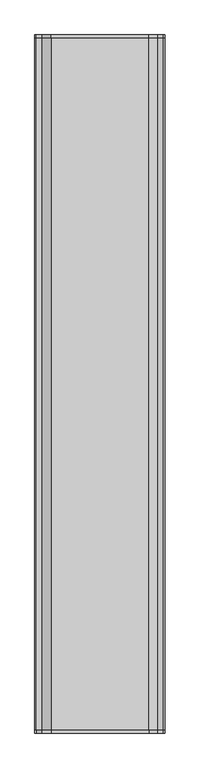
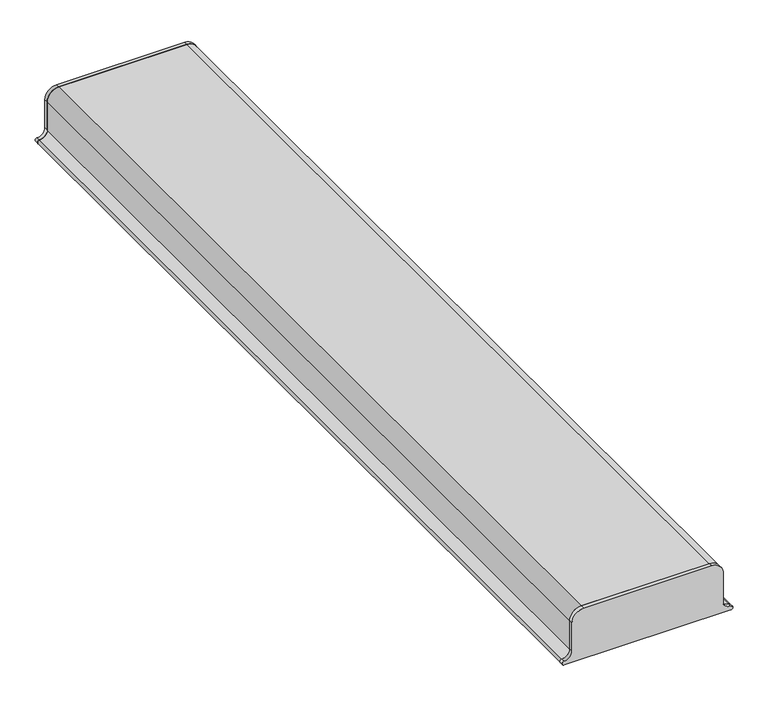
"""IFC4 building model written with IfcOpenShell, lengths in millimetres: proxy geometry."""

import ifcopenshell
import ifcopenshell.guid

model = None  # the IFC model being written
_history = None  # IfcOwnerHistory: only IFC2X3 demands one
_inside = {}  # id of a spatial element -> (the spatial element, [elements in it])
_under = {}  # id of a project, library or spatial element -> (it, [spatial elements below it])
_declared = {}  # id of a project -> (the project, [libraries it declares])
_typed = {}  # id of a type object -> (the type object, [elements of that type])
_made_of = {}  # id of a material, layer set ... -> (it, [elements and type objects made of it])


def new_model(schema):
    """Start an empty IFC model of exactly this schema.

    Asked for "IFC4X3", IfcOpenShell would pick the latest addendum, in which some entities
    have other attributes; the version numbers below select the first issue.
    IFC2X3 requires an IfcOwnerHistory on every rooted entity: one is made here for all.
    """
    global model, _history
    if schema == "IFC4X3":
        model = ifcopenshell.file(schema_version=(4, 3, 0, 0))
    else:
        model = ifcopenshell.file(schema=schema)
    _inside.clear()
    _under.clear()
    _declared.clear()
    _typed.clear()
    _made_of.clear()
    _history = None
    if model.schema == "IFC2X3":
        org = make("IfcOrganization", Name="unknown")
        user = make(
            "IfcPersonAndOrganization",
            ThePerson=make("IfcPerson", FamilyName="unknown"),
            TheOrganization=org,
        )
        app = make(
            "IfcApplication",
            ApplicationDeveloper=org,
            Version="unknown",
            ApplicationFullName="unknown",
            ApplicationIdentifier="unknown",
        )
        _history = make(
            "IfcOwnerHistory",
            OwningUser=user,
            OwningApplication=app,
            ChangeAction="ADDED",
            CreationDate=0,
        )
    return model


def make(cls, **values):
    """One entity of the class cls with the attributes given. An attribute that is None is left unset."""
    return model.create_entity(
        cls, **{name: value for name, value in values.items() if value is not None}
    )


def rooted(cls, **values):
    """An entity with a GlobalId (a new one), such as an element, a storey or a relation."""
    return make(cls, GlobalId=ifcopenshell.guid.new(), OwnerHistory=_history, **values)


def si_unit(unit_type, name, prefix=None):
    """IfcSIUnit, for example si_unit("LENGTHUNIT", "METRE", prefix="MILLI")."""
    return make("IfcSIUnit", UnitType=unit_type, Prefix=prefix, Name=name)


def assignment(units):
    """IfcUnitAssignment: the units of a project."""
    return None if units is None else make("IfcUnitAssignment", Units=units)


def point(xyz):
    """IfcCartesianPoint."""
    return None if xyz is None else make("IfcCartesianPoint", Coordinates=xyz)


def direction(xyz):
    """IfcDirection."""
    return None if xyz is None else make("IfcDirection", DirectionRatios=xyz)


def frame(location, z_axis=None, x_axis=None):
    """IfcAxis2Placement3D, a coordinate frame: its origin and axes. An axis left out is left unset."""
    return make(
        "IfcAxis2Placement3D",
        Location=point(location),
        Axis=direction(z_axis),
        RefDirection=direction(x_axis),
    )


def frame_2d(location, x_axis=None):
    """IfcAxis2Placement2D, a coordinate frame in the plane: its origin and x axis."""
    return make(
        "IfcAxis2Placement2D", Location=point(location), RefDirection=direction(x_axis)
    )


def origin():
    """The frame at (0, 0, 0) with its axes left unset."""
    return frame((0.0, 0.0, 0.0))


def place(relative_to, where):
    """IfcLocalPlacement: puts the frame where relative to a parent placement (None: the world)."""
    return make(
        "IfcLocalPlacement", PlacementRelTo=relative_to, RelativePlacement=where
    )


def context(
    kind, dimensions, precision=None, world=None, true_north=None, identifier=None
):
    """IfcGeometricRepresentationContext, for example the 3D "Model" context."""
    return make(
        "IfcGeometricRepresentationContext",
        ContextIdentifier=identifier,
        ContextType=kind,
        CoordinateSpaceDimension=dimensions,
        Precision=precision,
        WorldCoordinateSystem=world,
        TrueNorth=true_north,
    )


def project(units=None, contexts=None):
    """IfcProject with its units and contexts."""
    return rooted(
        "IfcProject",
        Name="project",
        RepresentationContexts=contexts,
        UnitsInContext=assignment(units),
    )


def spatial(cls, under=None, at=None, **own):
    """A site, building, storey or space (cls), placed at a placement, below another one or the project."""
    s = rooted(cls, ObjectPlacement=at, **own)
    if under is not None:
        _under.setdefault(under.id(), (under, []))[1].append(s)
    return s


def polyline(points):
    """IfcPolyline through the points."""
    return make("IfcPolyline", Points=[point(p) for p in points])


def circle_curve(where, radius):
    """IfcCircle in the frame where."""
    return make("IfcCircle", Position=where, Radius=radius)


def trimmed(basis, trim1, trim2, sense, master):
    """IfcTrimmedCurve: the piece of a basis curve between two trims."""
    return make(
        "IfcTrimmedCurve",
        BasisCurve=basis,
        Trim1=trim1,
        Trim2=trim2,
        SenseAgreement=sense,
        MasterRepresentation=master,
    )


def segment(curve, same_sense, transition):
    """IfcCompositeCurveSegment."""
    return make(
        "IfcCompositeCurveSegment",
        Transition=transition,
        SameSense=same_sense,
        ParentCurve=curve,
    )


def composite_curve(segments, self_intersect=None):
    """IfcCompositeCurve: segments joined end to end."""
    return make("IfcCompositeCurve", Segments=segments, SelfIntersect=self_intersect)


def outline(outer, holes=None, kind="AREA"):
    """IfcArbitraryClosedProfileDef: a profile drawn as a closed curve; with holes, ...WithVoids."""
    if holes is None:
        return make("IfcArbitraryClosedProfileDef", ProfileType=kind, OuterCurve=outer)
    return make(
        "IfcArbitraryProfileDefWithVoids",
        ProfileType=kind,
        OuterCurve=outer,
        InnerCurves=holes,
    )


def extrude(swept, where, along, depth):
    """IfcExtrudedAreaSolid: the profile swept, set in the frame where, extruded along a direction by depth."""
    return make(
        "IfcExtrudedAreaSolid",
        SweptArea=swept,
        Position=where,
        ExtrudedDirection=direction(along),
        Depth=depth,
    )


def shape(context_of_items, identifier, shape_type, items):
    """IfcShapeRepresentation: the items that make up one representation, for example the "Body"."""
    return make(
        "IfcShapeRepresentation",
        ContextOfItems=context_of_items,
        RepresentationIdentifier=identifier,
        RepresentationType=shape_type,
        Items=items,
    )


def source(mapping_origin, context_of_items, identifier, shape_type, items):
    """IfcRepresentationMap: a shape defined once, which mapped items show again and again."""
    return make(
        "IfcRepresentationMap",
        MappingOrigin=mapping_origin,
        MappedRepresentation=shape(context_of_items, identifier, shape_type, items),
    )


def transform(
    local_origin,
    x_axis=None,
    y_axis=None,
    z_axis=None,
    scale=None,
    scale2=None,
    scale3=None,
    uniform=True,
):
    """IfcCartesianTransformationOperator3D, or its non-uniform kind. x_axis, y_axis, z_axis: its Axis1, 2, 3."""
    if uniform:
        return make(
            "IfcCartesianTransformationOperator3D",
            Axis1=direction(x_axis),
            Axis2=direction(y_axis),
            LocalOrigin=point(local_origin),
            Scale=scale,
            Axis3=direction(z_axis),
        )
    return make(
        "IfcCartesianTransformationOperator3DnonUniform",
        Axis1=direction(x_axis),
        Axis2=direction(y_axis),
        LocalOrigin=point(local_origin),
        Scale=scale,
        Axis3=direction(z_axis),
        Scale2=scale2,
        Scale3=scale3,
    )


def mapped(mapping_source, mapping_target):
    """IfcMappedItem: shows the shape of a source again, moved by a transform."""
    return make(
        "IfcMappedItem", MappingSource=mapping_source, MappingTarget=mapping_target
    )


def made_of(thing, what):
    """Note that an element or type object is made of a material, layer set ...; save() writes the relation."""
    if what is not None:
        _made_of.setdefault(what.id(), (what, []))[1].append(thing)
    return thing


def element(
    cls,
    number,
    at=None,
    inside=None,
    cuts=None,
    type_object=None,
    material=None,
    context=None,
    identifier="Body",
    shape_type=None,
    held_by="IfcProductDefinitionShape",
    body=None,
    shapes=None,
    **own,
):
    """One element of the class cls, such as IfcWall. Its Tag is "e" and its number.

    at: its placement. inside: the storey or other place that contains it. cuts: it is an
    opening in that element (IfcRelVoidsElement). A single representation is given by context,
    identifier, shape_type and body (its items); several are given by shapes. held_by: the class
    of the entity that holds the representations. save() writes the other relations.
    """
    e = rooted(cls, Tag="e%d" % number, ObjectPlacement=at, **own)
    if body is not None:
        shapes = [shape(context, identifier, shape_type, body)]
    if shapes is not None:
        e.Representation = make(held_by, Representations=shapes)
    if inside is not None:
        _inside.setdefault(inside.id(), (inside, []))[1].append(e)
    if cuts is not None:
        rooted(
            "IfcRelVoidsElement", RelatingBuildingElement=cuts, RelatedOpeningElement=e
        )
    if type_object is not None:
        _typed.setdefault(type_object.id(), (type_object, []))[1].append(e)
    return made_of(e, material)


def aggregate(whole, parts):
    """IfcRelAggregates: a whole, such as a stair, and the parts it consists of."""
    return rooted("IfcRelAggregates", RelatingObject=whole, RelatedObjects=parts)


def save(model, path):
    """Write the relations noted so far, then the file.

    IfcRelAggregates (storeys below a building ...), IfcRelContainedInSpatialStructure (elements
    in a storey), IfcRelDefinesByType, IfcRelAssociatesMaterial and IfcRelDeclares: one each for
    every whole, place, type object, material and project.
    """
    for whole, parts in _under.values():
        aggregate(whole, parts)
    for where, things in _inside.values():
        rooted(
            "IfcRelContainedInSpatialStructure",
            RelatedElements=things,
            RelatingStructure=where,
        )
    for kind, things in _typed.values():
        rooted("IfcRelDefinesByType", RelatedObjects=things, RelatingType=kind)
    for what, things in _made_of.values():
        rooted("IfcRelAssociatesMaterial", RelatedObjects=things, RelatingMaterial=what)
    for by, libraries in _declared.values():
        rooted("IfcRelDeclares", RelatingContext=by, RelatedDefinitions=libraries)
    model.write(path)


def generic_models_564662c1(model_context):
    return source(origin(), model_context, "Body", "SweptSolid", [
        extrude(outline(composite_curve([segment(trimmed(circle_curve(frame_2d((431.1687819, 235.6397011)), 12.7), [point((418.4687819, 235.6397011))], [point((431.1687819, 222.9397011))], True, "CARTESIAN"), True, "CONTINUOUS"), segment(polyline([(431.1687819, 222.9397011), (482.3425919, 222.9397011)]), True, "CONTINUOUS"), segment(trimmed(circle_curve(frame_2d((480.3119736, 203.9982362)), 19.05), [point((482.3425919, 222.9397011))], [point((499.3619736, 203.9982362))], False, "CARTESIAN"), True, "CONTINUOUS"), segment(polyline([(499.3619736, 203.9982362), (499.3619736, -5.6602989)]), True, "CONTINUOUS"), segment(trimmed(circle_curve(frame_2d((480.3119736, -5.6602989)), 19.05), [point((499.3619736, -5.6602989))], [point((480.3119736, -24.7102989))], False, "CARTESIAN"), True, "CONTINUOUS"), segment(polyline([(480.3119736, -24.7102989), (431.1687819, -24.7102989)]), True, "CONTINUOUS"), segment(trimmed(circle_curve(frame_2d((431.1687819, -37.4102989)), 12.7), [point((431.1687819, -24.7102989))], [point((418.4687819, -37.4102989))], True, "CARTESIAN"), True, "CONTINUOUS"), segment(trimmed(circle_curve(frame_2d((415.2937819, -37.4102989)), 3.175), [point((418.4687819, -37.4102989))], [point((412.1187819, -37.4102989))], False, "CARTESIAN"), True, "CONTINUOUS"), segment(polyline([(412.1187819, -37.4102989), (412.1187819, 235.6397011)]), True, "CONTINUOUS"), segment(trimmed(circle_curve(frame_2d((415.2937819, 235.6397011)), 3.175), [point((412.1187819, 235.6397011))], [point((418.4687819, 235.6397011))], False, "CARTESIAN"), True, "CONTINUOUS")], self_intersect=False)), frame((0.0, -747.7125, 0.0), z_axis=(0.0, 1.0, 0.0), x_axis=(0.0, 0.0, 1.0)), (0.0, 0.0, 1.0), 6.35),
        extrude(outline(composite_curve([segment(trimmed(circle_curve(frame_2d((431.1687819, -37.4102989)), 12.7), [point((431.1687819, -24.7102989))], [point((418.4687819, -37.4102989))], True, "CARTESIAN"), True, "CONTINUOUS"), segment(trimmed(circle_curve(frame_2d((415.2937819, -37.4102989)), 3.175), [point((418.4687819, -37.4102989))], [point((412.1187819, -37.4102989))], False, "CARTESIAN"), True, "CONTINUOUS"), segment(polyline([(412.1187819, -37.4102989), (412.1187819, 235.6397011)]), True, "CONTINUOUS"), segment(trimmed(circle_curve(frame_2d((415.2937819, 235.6397011)), 3.175), [point((412.1187819, 235.6397011))], [point((418.4687819, 235.6397011))], False, "CARTESIAN"), True, "CONTINUOUS"), segment(trimmed(circle_curve(frame_2d((431.1687819, 235.6397011)), 12.7), [point((418.4687819, 235.6397011))], [point((431.1687819, 222.9397011))], True, "CARTESIAN"), True, "CONTINUOUS"), segment(polyline([(431.1687819, 222.9397011), (482.3425919, 222.9397011)]), True, "CONTINUOUS"), segment(trimmed(circle_curve(frame_2d((480.3119736, 203.9982362)), 19.05), [point((482.3425919, 222.9397011))], [point((499.3619736, 203.9982362))], False, "CARTESIAN"), True, "CONTINUOUS"), segment(polyline([(499.3619736, 203.9982362), (499.3619736, -5.6602989)]), True, "CONTINUOUS"), segment(trimmed(circle_curve(frame_2d((480.3119736, -5.6602989)), 19.05), [point((499.3619736, -5.6602989))], [point((480.3119736, -24.7102989))], False, "CARTESIAN"), True, "CONTINUOUS"), segment(polyline([(480.3119736, -24.7102989), (431.1687819, -24.7102989)]), True, "CONTINUOUS")], self_intersect=False)), frame((0.0, 741.3625, 0.0), z_axis=(0.0, 1.0, 0.0), x_axis=(0.0, 0.0, 1.0)), (0.0, 0.0, 1.0), 6.35),
        extrude(outline(composite_curve([segment(trimmed(circle_curve(frame_2d((480.3119736, -5.6602989)), 19.05), [point((499.3619736, -5.6602989))], [point((480.3119736, -24.7102989))], False, "CARTESIAN"), True, "CONTINUOUS"), segment(polyline([(480.3119736, -24.7102989), (431.1687819, -24.7102989)]), True, "CONTINUOUS"), segment(trimmed(circle_curve(frame_2d((431.1687819, -37.4102989)), 12.7), [point((431.1687819, -24.7102989))], [point((418.4687819, -37.4102989))], True, "CARTESIAN"), True, "CONTINUOUS"), segment(trimmed(circle_curve(frame_2d((415.2937819, -37.4102989)), 3.175), [point((418.4687819, -37.4102989))], [point((412.1187819, -37.4102989))], False, "CARTESIAN"), True, "CONTINUOUS"), segment(trimmed(circle_curve(frame_2d((431.1687819, -37.4102989)), 19.05), [point((412.1187819, -37.4102989))], [point((431.1687819, -18.3602989))], False, "CARTESIAN"), True, "CONTINUOUS"), segment(polyline([(431.1687819, -18.3602989), (480.3119736, -18.3602989)]), True, "CONTINUOUS"), segment(trimmed(circle_curve(frame_2d((480.3119736, -5.6602989)), 12.7), [point((480.3119736, -18.3602989))], [point((493.0119736, -5.6602989))], True, "CARTESIAN"), True, "CONTINUOUS"), segment(polyline([(493.0119736, -5.6602989), (493.0119736, 203.9982362)]), True, "CONTINUOUS"), segment(trimmed(circle_curve(frame_2d((480.3119736, 203.9982362)), 12.7), [point((493.0119736, 203.9982362))], [point((481.9687819, 216.5897011))], True, "CARTESIAN"), True, "CONTINUOUS"), segment(polyline([(481.9687819, 216.5897011), (431.1687819, 216.5897011)]), True, "CONTINUOUS"), segment(trimmed(circle_curve(frame_2d((431.1687819, 235.6397011)), 19.05), [point((431.1687819, 216.5897011))], [point((412.1187819, 235.6397011))], False, "CARTESIAN"), True, "CONTINUOUS"), segment(trimmed(circle_curve(frame_2d((415.2937819, 235.6397011)), 3.175), [point((412.1187819, 235.6397011))], [point((418.4687819, 235.6397011))], False, "CARTESIAN"), True, "CONTINUOUS"), segment(trimmed(circle_curve(frame_2d((431.1687819, 235.6397011)), 12.7), [point((418.4687819, 235.6397011))], [point((431.1687819, 222.9397011))], True, "CARTESIAN"), True, "CONTINUOUS"), segment(polyline([(431.1687819, 222.9397011), (482.3425919, 222.9397011)]), True, "CONTINUOUS"), segment(trimmed(circle_curve(frame_2d((480.3119736, 203.9982362)), 19.05), [point((482.3425919, 222.9397011))], [point((499.3619736, 203.9982362))], False, "CARTESIAN"), True, "CONTINUOUS"), segment(polyline([(499.3619736, 203.9982362), (499.3619736, -5.6602989)]), True, "CONTINUOUS")], self_intersect=False)), frame((0.0, -741.3625, 0.0), z_axis=(0.0, 1.0, 0.0), x_axis=(0.0, 0.0, 1.0)), (0.0, 0.0, 1.0), 1482.725),
    ])


if __name__ == "__main__":
    model = new_model("IFC4")
    model_context = context("Model", 3, world=origin())
    ifc_project = project(units=[si_unit("LENGTHUNIT", "METRE", prefix="MILLI")], contexts=[model_context])
    site = spatial("IfcSite", under=ifc_project)
    building = spatial("IfcBuilding", under=site)
    placement = place(None, origin())
    generic_models_shape = generic_models_564662c1(model_context)
    element("IfcBuildingElementProxy", 1, Name="Generic Models", at=placement, inside=building, context=model_context, shape_type="MappedRepresentation", body=[
        mapped(generic_models_shape, transform((0.0, 0.0, 0.0), x_axis=(1.0, 0.0, 0.0), y_axis=(0.0, 1.0, 0.0), z_axis=(0.0, 0.0, 1.0))),
    ])
    save(model, "model.ifc")
